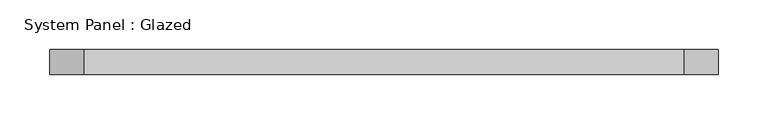
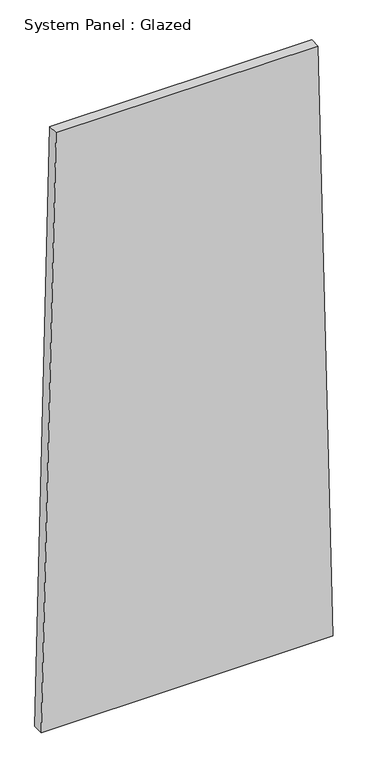
"""IFC4 building model written with IfcOpenShell, lengths in millimetres: plate geometry, System Panel : Glazed."""

from ifc_helpers import new_model, si_unit, frame, origin, place, context, project, spatial, polyline, outline, extrude, source, transform, mapped, element, save


def system_panel_glazed_3cea86cc(model_context):
    return source(origin(), model_context, "Body", "SweptSolid", [
        extrude(outline(polyline([(0.0, -336.3239928), (0.0, 336.3239928), (1449.5831139, 302.1318739), (1449.5831035, -302.1320838), (0.0, -336.3239928)])), frame((0.0, -49.5, 0.0), z_axis=(0.0, 1.0, 0.0), x_axis=(0.0, 0.0, 1.0)), (0.0, 0.0, 1.0), 25.0),
    ])


if __name__ == "__main__":
    model = new_model("IFC4")
    model_context = context("Model", 3, world=origin())
    ifc_project = project(units=[si_unit("LENGTHUNIT", "METRE", prefix="MILLI")], contexts=[model_context])
    site = spatial("IfcSite", under=ifc_project)
    building = spatial("IfcBuilding", under=site)
    placement = place(None, origin())
    system_panel_glazed_shape = system_panel_glazed_3cea86cc(model_context)
    element("IfcPlate", 1, ObjectType="System Panel : Glazed", at=placement, inside=building, context=model_context, shape_type="MappedRepresentation", body=[
        mapped(system_panel_glazed_shape, transform((0.0, 0.0, 0.0), x_axis=(1.0, 0.0, 0.0), y_axis=(0.0, 1.0, 0.0), z_axis=(0.0, 0.0, 1.0))),
    ])
    save(model, "model.ifc")
